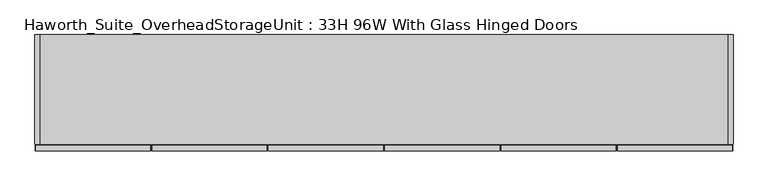
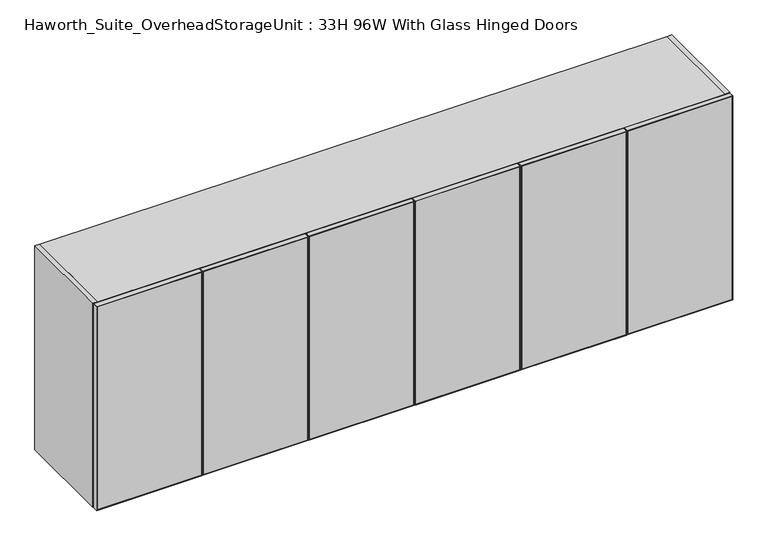
"""IFC4 building model written with IfcOpenShell, lengths in millimetres: furniture geometry, Haworth_Suite_OverheadStorageUnit : 33H 96W With Glass Hinged Doors."""

from ifc_helpers import new_model, si_unit, frame, origin, place, context, project, spatial, polyline, outline, extrude, source, transform, mapped, element, save


def haworth_suite_overheadstorageunit_33h_96w_with_glass_hinged_c841aa35(model_context):
    return source(origin(), model_context, "Body", "SweptSolid", [
        extrude(outline(polyline([(2057.4, -11.1125), (1231.9, -11.1125), (1233.4875, -9.525), (2055.8125, -9.525), (2057.4, -11.1125)])), frame((0.0, -419.1, 0.0), z_axis=(0.0, 1.0, 0.0), x_axis=(0.0, 0.0, 1.0)), (0.0, 0.0, 1.0), 19.05),
        extrude(outline(polyline([(2057.4, 392.1125), (2055.8125, 390.525), (1233.4875, 390.525), (1231.9, 392.1125), (2057.4, 392.1125)])), frame((0.0, -419.1, 0.0), z_axis=(0.0, 1.0, 0.0), x_axis=(0.0, 0.0, 1.0)), (0.0, 0.0, 1.0), 19.05),
        extrude(outline(polyline([(2055.8125, -9.525), (2055.8125, 390.525), (2057.4, 392.1125), (2057.4, -11.1125), (2055.8125, -9.525)])), frame((0.0, -419.1, 0.0), z_axis=(0.0, 1.0, 0.0), x_axis=(0.0, 0.0, 1.0)), (0.0, 0.0, 1.0), 19.05),
        extrude(outline(polyline([(1233.4875, -9.525), (1231.9, -11.1125), (1231.9, 392.1125), (1233.4875, 390.525), (1233.4875, -9.525)])), frame((0.0, -419.1, 0.0), z_axis=(0.0, 1.0, 0.0), x_axis=(0.0, 0.0, 1.0)), (0.0, 0.0, 1.0), 19.05),
        extrude(outline(polyline([(390.525, -400.84375), (390.525, -418.30625), (-9.525, -418.30625), (-9.525, -400.84375), (390.525, -400.84375)])), frame((0.0, 0.0, 1233.4875), z_axis=(0.0, 0.0, 1.0), x_axis=(1.0, 0.0, 0.0)), (0.0, 0.0, 1.0), 822.325),
        extrude(outline(polyline([(2057.4, -14.2875), (2055.8125, -15.875), (1233.4875, -15.875), (1231.9, -14.2875), (2057.4, -14.2875)])), frame((0.0, -419.1, 0.0), z_axis=(0.0, 1.0, 0.0), x_axis=(0.0, 0.0, 1.0)), (0.0, 0.0, 1.0), 19.05),
        extrude(outline(polyline([(2057.4, -417.5125), (1231.9, -417.5125), (1233.4875, -415.925), (2055.8125, -415.925), (2057.4, -417.5125)])), frame((0.0, -419.1, 0.0), z_axis=(0.0, 1.0, 0.0), x_axis=(0.0, 0.0, 1.0)), (0.0, 0.0, 1.0), 19.05),
        extrude(outline(polyline([(2055.8125, -15.875), (2057.4, -14.2875), (2057.4, -417.5125), (2055.8125, -415.925), (2055.8125, -15.875)])), frame((0.0, -419.1, 0.0), z_axis=(0.0, 1.0, 0.0), x_axis=(0.0, 0.0, 1.0)), (0.0, 0.0, 1.0), 19.05),
        extrude(outline(polyline([(1233.4875, -15.875), (1233.4875, -415.925), (1231.9, -417.5125), (1231.9, -14.2875), (1233.4875, -15.875)])), frame((0.0, -419.1, 0.0), z_axis=(0.0, 1.0, 0.0), x_axis=(0.0, 0.0, 1.0)), (0.0, 0.0, 1.0), 19.05),
        extrude(outline(polyline([(-415.925, -400.84375), (-15.875, -400.84375), (-15.875, -418.30625), (-415.925, -418.30625), (-415.925, -400.84375)])), frame((0.0, 0.0, 1233.4875), z_axis=(0.0, 0.0, 1.0), x_axis=(1.0, 0.0, 0.0)), (0.0, 0.0, 1.0), 822.325),
        extrude(outline(polyline([(2057.4, 801.6875), (1231.9, 801.6875), (1233.4875, 803.275), (2055.8125, 803.275), (2057.4, 801.6875)])), frame((0.0, -419.1, 0.0), z_axis=(0.0, 1.0, 0.0), x_axis=(0.0, 0.0, 1.0)), (0.0, 0.0, 1.0), 19.05),
        extrude(outline(polyline([(2057.4, 1204.9125), (2055.8125, 1203.325), (1233.4875, 1203.325), (1231.9, 1204.9125), (2057.4, 1204.9125)])), frame((0.0, -419.1, 0.0), z_axis=(0.0, 1.0, 0.0), x_axis=(0.0, 0.0, 1.0)), (0.0, 0.0, 1.0), 19.05),
        extrude(outline(polyline([(2055.8125, 803.275), (2055.8125, 1203.325), (2057.4, 1204.9125), (2057.4, 801.6875), (2055.8125, 803.275)])), frame((0.0, -419.1, 0.0), z_axis=(0.0, 1.0, 0.0), x_axis=(0.0, 0.0, 1.0)), (0.0, 0.0, 1.0), 19.05),
        extrude(outline(polyline([(1233.4875, 803.275), (1231.9, 801.6875), (1231.9, 1204.9125), (1233.4875, 1203.325), (1233.4875, 803.275)])), frame((0.0, -419.1, 0.0), z_axis=(0.0, 1.0, 0.0), x_axis=(0.0, 0.0, 1.0)), (0.0, 0.0, 1.0), 19.05),
        extrude(outline(polyline([(1203.325, -400.84375), (1203.325, -418.30625), (803.275, -418.30625), (803.275, -400.84375), (1203.325, -400.84375)])), frame((0.0, 0.0, 1233.4875), z_axis=(0.0, 0.0, 1.0), x_axis=(1.0, 0.0, 0.0)), (0.0, 0.0, 1.0), 822.325),
        extrude(outline(polyline([(2057.4, 798.5125), (2055.8125, 796.925), (1233.4875, 796.925), (1231.9, 798.5125), (2057.4, 798.5125)])), frame((0.0, -419.1, 0.0), z_axis=(0.0, 1.0, 0.0), x_axis=(0.0, 0.0, 1.0)), (0.0, 0.0, 1.0), 19.05),
        extrude(outline(polyline([(2057.4, 395.2875), (1231.9, 395.2875), (1233.4875, 396.875), (2055.8125, 396.875), (2057.4, 395.2875)])), frame((0.0, -419.1, 0.0), z_axis=(0.0, 1.0, 0.0), x_axis=(0.0, 0.0, 1.0)), (0.0, 0.0, 1.0), 19.05),
        extrude(outline(polyline([(2055.8125, 796.925), (2057.4, 798.5125), (2057.4, 395.2875), (2055.8125, 396.875), (2055.8125, 796.925)])), frame((0.0, -419.1, 0.0), z_axis=(0.0, 1.0, 0.0), x_axis=(0.0, 0.0, 1.0)), (0.0, 0.0, 1.0), 19.05),
        extrude(outline(polyline([(1233.4875, 796.925), (1233.4875, 396.875), (1231.9, 395.2875), (1231.9, 798.5125), (1233.4875, 796.925)])), frame((0.0, -419.1, 0.0), z_axis=(0.0, 1.0, 0.0), x_axis=(0.0, 0.0, 1.0)), (0.0, 0.0, 1.0), 19.05),
        extrude(outline(polyline([(396.875, -400.84375), (796.925, -400.84375), (796.925, -418.30625), (396.875, -418.30625), (396.875, -400.84375)])), frame((0.0, 0.0, 1233.4875), z_axis=(0.0, 0.0, 1.0), x_axis=(1.0, 0.0, 0.0)), (0.0, 0.0, 1.0), 822.325),
        extrude(outline(polyline([(2057.4, -823.9125), (1231.9, -823.9125), (1233.4875, -822.325), (2055.8125, -822.325), (2057.4, -823.9125)])), frame((0.0, -419.1, 0.0), z_axis=(0.0, 1.0, 0.0), x_axis=(0.0, 0.0, 1.0)), (0.0, 0.0, 1.0), 19.05),
        extrude(outline(polyline([(2057.4, -420.6875), (2055.8125, -422.275), (1233.4875, -422.275), (1231.9, -420.6875), (2057.4, -420.6875)])), frame((0.0, -419.1, 0.0), z_axis=(0.0, 1.0, 0.0), x_axis=(0.0, 0.0, 1.0)), (0.0, 0.0, 1.0), 19.05),
        extrude(outline(polyline([(2055.8125, -822.325), (2055.8125, -422.275), (2057.4, -420.6875), (2057.4, -823.9125), (2055.8125, -822.325)])), frame((0.0, -419.1, 0.0), z_axis=(0.0, 1.0, 0.0), x_axis=(0.0, 0.0, 1.0)), (0.0, 0.0, 1.0), 19.05),
        extrude(outline(polyline([(1233.4875, -822.325), (1231.9, -823.9125), (1231.9, -420.6875), (1233.4875, -422.275), (1233.4875, -822.325)])), frame((0.0, -419.1, 0.0), z_axis=(0.0, 1.0, 0.0), x_axis=(0.0, 0.0, 1.0)), (0.0, 0.0, 1.0), 19.05),
        extrude(outline(polyline([(-422.275, -400.84375), (-422.275, -418.30625), (-822.325, -418.30625), (-822.325, -400.84375), (-422.275, -400.84375)])), frame((0.0, 0.0, 1233.4875), z_axis=(0.0, 0.0, 1.0), x_axis=(1.0, 0.0, 0.0)), (0.0, 0.0, 1.0), 822.325),
        extrude(outline(polyline([(2057.4, -827.0875), (2055.8125, -828.675), (1233.4875, -828.675), (1231.9, -827.0875), (2057.4, -827.0875)])), frame((0.0, -419.1, 0.0), z_axis=(0.0, 1.0, 0.0), x_axis=(0.0, 0.0, 1.0)), (0.0, 0.0, 1.0), 19.05),
        extrude(outline(polyline([(2057.4, -1230.3125), (1231.9, -1230.3125), (1233.4875, -1228.725), (2055.8125, -1228.725), (2057.4, -1230.3125)])), frame((0.0, -419.1, 0.0), z_axis=(0.0, 1.0, 0.0), x_axis=(0.0, 0.0, 1.0)), (0.0, 0.0, 1.0), 19.05),
        extrude(outline(polyline([(2055.8125, -828.675), (2057.4, -827.0875), (2057.4, -1230.3125), (2055.8125, -1228.725), (2055.8125, -828.675)])), frame((0.0, -419.1, 0.0), z_axis=(0.0, 1.0, 0.0), x_axis=(0.0, 0.0, 1.0)), (0.0, 0.0, 1.0), 19.05),
        extrude(outline(polyline([(1233.4875, -828.675), (1233.4875, -1228.725), (1231.9, -1230.3125), (1231.9, -827.0875), (1233.4875, -828.675)])), frame((0.0, -419.1, 0.0), z_axis=(0.0, 1.0, 0.0), x_axis=(0.0, 0.0, 1.0)), (0.0, 0.0, 1.0), 19.05),
        extrude(outline(polyline([(-1228.725, -400.84375), (-828.675, -400.84375), (-828.675, -418.30625), (-1228.725, -418.30625), (-1228.725, -400.84375)])), frame((0.0, 0.0, 1233.4875), z_axis=(0.0, 0.0, 1.0), x_axis=(1.0, 0.0, 0.0)), (0.0, 0.0, 1.0), 822.325),
        extrude(outline(polyline([(-438.15, -31.75), (-438.15, -393.7), (-1212.85, -393.7), (-1212.85, -31.75), (-438.15, -31.75)])), frame((0.0, 0.0, 1631.95), z_axis=(0.0, 0.0, 1.0), x_axis=(1.0, 0.0, 0.0)), (0.0, 0.0, 1.0), 19.05),
        extrude(outline(polyline([(374.65, -31.75), (374.65, -393.7), (-400.05, -393.7), (-400.05, -31.75), (374.65, -31.75)])), frame((0.0, 0.0, 1631.95), z_axis=(0.0, 0.0, 1.0), x_axis=(1.0, 0.0, 0.0)), (0.0, 0.0, 1.0), 19.05),
        extrude(outline(polyline([(1187.45, -31.75), (1187.45, -393.7), (412.75, -393.7), (412.75, -31.75), (1187.45, -31.75)])), frame((0.0, 0.0, 1631.95), z_axis=(0.0, 0.0, 1.0), x_axis=(1.0, 0.0, 0.0)), (0.0, 0.0, 1.0), 19.05),
        extrude(outline(polyline([(412.75, -31.75), (412.75, -393.7), (393.7, -393.7), (393.7, -31.75), (412.75, -31.75)])), frame((0.0, 0.0, 1270.0), z_axis=(0.0, 0.0, 1.0), x_axis=(1.0, 0.0, 0.0)), (0.0, 0.0, 1.0), 768.35),
        extrude(outline(polyline([(393.7, -31.75), (393.7, -393.7), (374.65, -393.7), (374.65, -31.75), (393.7, -31.75)])), frame((0.0, 0.0, 1270.0), z_axis=(0.0, 0.0, 1.0), x_axis=(1.0, 0.0, 0.0)), (0.0, 0.0, 1.0), 768.35),
        extrude(outline(polyline([(-400.05, -31.75), (-400.05, -393.7), (-419.1, -393.7), (-419.1, -31.75), (-400.05, -31.75)])), frame((0.0, 0.0, 1270.0), z_axis=(0.0, 0.0, 1.0), x_axis=(1.0, 0.0, 0.0)), (0.0, 0.0, 1.0), 768.35),
        extrude(outline(polyline([(-419.1, -31.75), (-419.1, -393.7), (-438.15, -393.7), (-438.15, -31.75), (-419.1, -31.75)])), frame((0.0, 0.0, 1270.0), z_axis=(0.0, 0.0, 1.0), x_axis=(1.0, 0.0, 0.0)), (0.0, 0.0, 1.0), 768.35),
        extrude(outline(polyline([(1187.45, -12.7), (1187.45, -396.875), (-1212.85, -396.875), (-1212.85, -12.7), (1187.45, -12.7)])), frame((0.0, 0.0, 2038.35), z_axis=(0.0, 0.0, 1.0), x_axis=(1.0, 0.0, 0.0)), (0.0, 0.0, 1.0), 19.05),
        extrude(outline(polyline([(1187.45, -12.7), (1187.45, -31.75), (-1212.85, -31.75), (-1212.85, -12.7), (1187.45, -12.7)])), frame((0.0, 0.0, 1231.9), z_axis=(0.0, 0.0, 1.0), x_axis=(1.0, 0.0, 0.0)), (0.0, 0.0, 1.0), 806.45),
        extrude(outline(polyline([(1187.45, -31.75), (1187.45, -396.875), (-1212.85, -396.875), (-1212.85, -31.75), (1187.45, -31.75)])), frame((0.0, 0.0, 1231.9), z_axis=(0.0, 0.0, 1.0), x_axis=(1.0, 0.0, 0.0)), (0.0, 0.0, 1.0), 38.1),
        extrude(outline(polyline([(-1212.85, -12.7), (-1212.85, -396.875), (-1231.9, -396.875), (-1231.9, -12.7), (-1212.85, -12.7)])), frame((0.0, 0.0, 1231.9), z_axis=(0.0, 0.0, 1.0), x_axis=(1.0, 0.0, 0.0)), (0.0, 0.0, 1.0), 825.5),
        extrude(outline(polyline([(1206.5, -396.875), (1187.45, -396.875), (1187.45, -12.7), (1206.5, -12.7), (1206.5, -396.875)])), frame((0.0, 0.0, 1231.9), z_axis=(0.0, 0.0, 1.0), x_axis=(1.0, 0.0, 0.0)), (0.0, 0.0, 1.0), 825.5),
    ])


if __name__ == "__main__":
    model = new_model("IFC4")
    model_context = context("Model", 3, world=origin())
    ifc_project = project(units=[si_unit("LENGTHUNIT", "METRE", prefix="MILLI")], contexts=[model_context])
    site = spatial("IfcSite", under=ifc_project)
    building = spatial("IfcBuilding", under=site)
    placement = place(None, origin())
    haworth_suite_overheadstorageunit_33h_96w_with_glass_hinged_shape = haworth_suite_overheadstorageunit_33h_96w_with_glass_hinged_c841aa35(model_context)
    element("IfcFurniture", 1, ObjectType="Haworth_Suite_OverheadStorageUnit : 33H 96W With Glass Hinged Doors", at=placement, inside=building, context=model_context, shape_type="MappedRepresentation", body=[
        mapped(haworth_suite_overheadstorageunit_33h_96w_with_glass_hinged_shape, transform((0.0, 0.0, 0.0), x_axis=(1.0, 0.0, 0.0), y_axis=(0.0, 1.0, 0.0), z_axis=(0.0, 0.0, 1.0))),
    ])
    save(model, "model.ifc")
